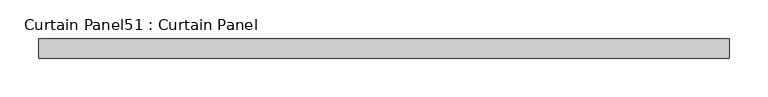
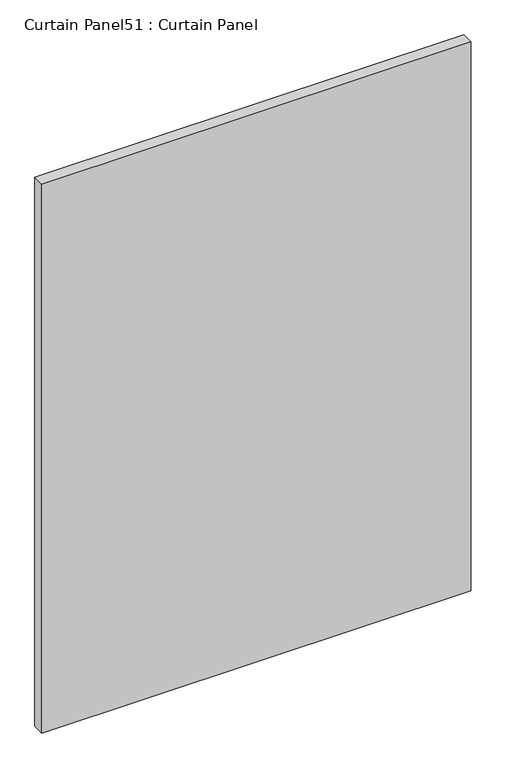
"""IFC4 building model written with IfcOpenShell, lengths in millimetres: plate geometry, Curtain Panel51 : Curtain Panel."""

from ifc_helpers import new_model, si_unit, frame, origin, place, context, project, spatial, polyline, outline, extrude, source, transform, mapped, element, save


def curtain_panel51_curtain_panel_f5057bef(model_context):
    return source(origin(), model_context, "Body", "SweptSolid", [
        extrude(outline(polyline([(-40989.7651008, -3859.9631042), (-41885.9628242, -3859.9631042), (-41885.9628242, -3834.5631042), (-40989.7651008, -3834.5631042), (-40989.7651008, -3859.9631042)])), frame((0.0, 0.0, 1217.432523), z_axis=(0.0, 0.0, 1.0), x_axis=(1.0, 0.0, 0.0)), (0.0, 0.0, 1.0), 1211.4423638),
    ])


if __name__ == "__main__":
    model = new_model("IFC4")
    model_context = context("Model", 3, world=origin())
    ifc_project = project(units=[si_unit("LENGTHUNIT", "METRE", prefix="MILLI")], contexts=[model_context])
    site = spatial("IfcSite", under=ifc_project)
    building = spatial("IfcBuilding", under=site)
    placement = place(None, origin())
    curtain_panel51_curtain_panel_shape = curtain_panel51_curtain_panel_f5057bef(model_context)
    element("IfcPlate", 1, ObjectType="Curtain Panel51 : Curtain Panel", at=placement, inside=building, context=model_context, shape_type="MappedRepresentation", body=[
        mapped(curtain_panel51_curtain_panel_shape, transform((0.0, 0.0, 0.0), x_axis=(1.0, 0.0, 0.0), y_axis=(0.0, 1.0, 0.0), z_axis=(0.0, 0.0, 1.0))),
    ])
    save(model, "model.ifc")
